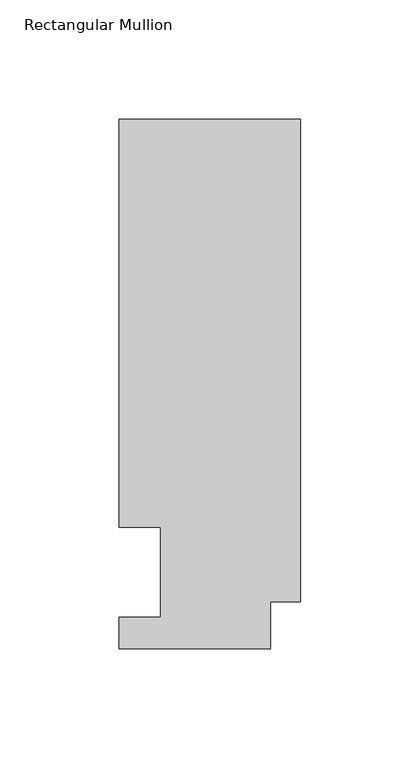
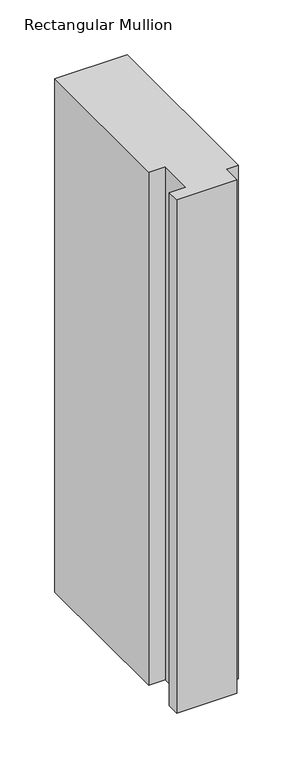
"""IFC4 building model written with IfcOpenShell, lengths in millimetres: member geometry, Rectangular Mullion."""

from ifc_helpers import new_model, si_unit, frame, origin, place, context, project, spatial, polyline, outline, extrude, source, transform, mapped, element, save


def rectangular_mullion_0d91e76c(model_context):
    return source(origin(), model_context, "Body", "SweptSolid", [
        extrude(outline(polyline([(0.0, 222.0301313), (0.0, 19.5667312), (-12.6999999, 19.5667312), (-12.6999999, 0.041758), (-76.1999999, 0.041758), (-76.1999999, 13.224358), (-58.7501996, 13.224358), (-58.7501996, 50.820278), (-76.2, 50.820278), (-76.2, 222.0301313), (0.0, 222.0301313)])), frame((0.0, 0.0, -571.3356703), z_axis=(0.0, 0.0, 1.0), x_axis=(1.0, 0.0, 0.0)), (0.0, 0.0, 1.0), 571.3356703),
    ])


if __name__ == "__main__":
    model = new_model("IFC4")
    model_context = context("Model", 3, world=origin())
    ifc_project = project(units=[si_unit("LENGTHUNIT", "METRE", prefix="MILLI")], contexts=[model_context])
    site = spatial("IfcSite", under=ifc_project)
    building = spatial("IfcBuilding", under=site)
    placement = place(None, origin())
    rectangular_mullion_shape = rectangular_mullion_0d91e76c(model_context)
    element("IfcMember", 1, ObjectType="Rectangular Mullion", at=placement, inside=building, context=model_context, shape_type="MappedRepresentation", body=[
        mapped(rectangular_mullion_shape, transform((0.0, 0.0, 0.0), x_axis=(1.0, 0.0, 0.0), y_axis=(0.0, 1.0, 0.0), z_axis=(0.0, 0.0, 1.0))),
    ])
    save(model, "model.ifc")
